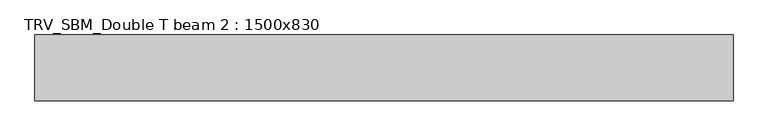
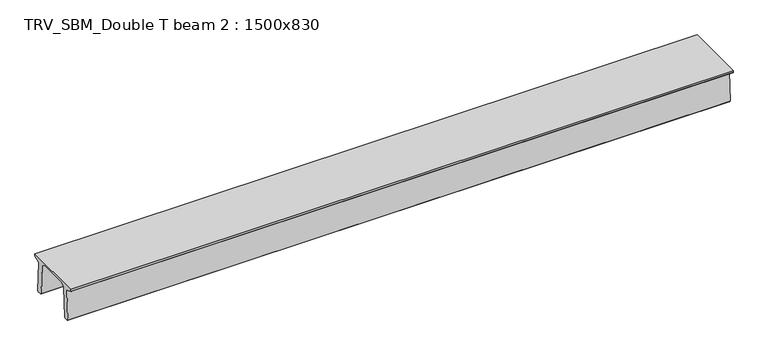
"""IFC4 building model written with IfcOpenShell, lengths in millimetres: beam geometry, TRV_SBM_Double T beam 2 : 1500x830."""

import ifcopenshell
import ifcopenshell.guid

model = None  # the IFC model being written
_history = None  # IfcOwnerHistory: only IFC2X3 demands one
_inside = {}  # id of a spatial element -> (the spatial element, [elements in it])
_under = {}  # id of a project, library or spatial element -> (it, [spatial elements below it])
_declared = {}  # id of a project -> (the project, [libraries it declares])
_typed = {}  # id of a type object -> (the type object, [elements of that type])
_made_of = {}  # id of a material, layer set ... -> (it, [elements and type objects made of it])


def new_model(schema):
    """Start an empty IFC model of exactly this schema.

    Asked for "IFC4X3", IfcOpenShell would pick the latest addendum, in which some entities
    have other attributes; the version numbers below select the first issue.
    IFC2X3 requires an IfcOwnerHistory on every rooted entity: one is made here for all.
    """
    global model, _history
    if schema == "IFC4X3":
        model = ifcopenshell.file(schema_version=(4, 3, 0, 0))
    else:
        model = ifcopenshell.file(schema=schema)
    _inside.clear()
    _under.clear()
    _declared.clear()
    _typed.clear()
    _made_of.clear()
    _history = None
    if model.schema == "IFC2X3":
        org = make("IfcOrganization", Name="unknown")
        user = make(
            "IfcPersonAndOrganization",
            ThePerson=make("IfcPerson", FamilyName="unknown"),
            TheOrganization=org,
        )
        app = make(
            "IfcApplication",
            ApplicationDeveloper=org,
            Version="unknown",
            ApplicationFullName="unknown",
            ApplicationIdentifier="unknown",
        )
        _history = make(
            "IfcOwnerHistory",
            OwningUser=user,
            OwningApplication=app,
            ChangeAction="ADDED",
            CreationDate=0,
        )
    return model


def make(cls, **values):
    """One entity of the class cls with the attributes given. An attribute that is None is left unset."""
    return model.create_entity(
        cls, **{name: value for name, value in values.items() if value is not None}
    )


def rooted(cls, **values):
    """An entity with a GlobalId (a new one), such as an element, a storey or a relation."""
    return make(cls, GlobalId=ifcopenshell.guid.new(), OwnerHistory=_history, **values)


def si_unit(unit_type, name, prefix=None):
    """IfcSIUnit, for example si_unit("LENGTHUNIT", "METRE", prefix="MILLI")."""
    return make("IfcSIUnit", UnitType=unit_type, Prefix=prefix, Name=name)


def assignment(units):
    """IfcUnitAssignment: the units of a project."""
    return None if units is None else make("IfcUnitAssignment", Units=units)


def point(xyz):
    """IfcCartesianPoint."""
    return None if xyz is None else make("IfcCartesianPoint", Coordinates=xyz)


def direction(xyz):
    """IfcDirection."""
    return None if xyz is None else make("IfcDirection", DirectionRatios=xyz)


def frame(location, z_axis=None, x_axis=None):
    """IfcAxis2Placement3D, a coordinate frame: its origin and axes. An axis left out is left unset."""
    return make(
        "IfcAxis2Placement3D",
        Location=point(location),
        Axis=direction(z_axis),
        RefDirection=direction(x_axis),
    )


def origin():
    """The frame at (0, 0, 0) with its axes left unset."""
    return frame((0.0, 0.0, 0.0))


def place(relative_to, where):
    """IfcLocalPlacement: puts the frame where relative to a parent placement (None: the world)."""
    return make(
        "IfcLocalPlacement", PlacementRelTo=relative_to, RelativePlacement=where
    )


def context(
    kind, dimensions, precision=None, world=None, true_north=None, identifier=None
):
    """IfcGeometricRepresentationContext, for example the 3D "Model" context."""
    return make(
        "IfcGeometricRepresentationContext",
        ContextIdentifier=identifier,
        ContextType=kind,
        CoordinateSpaceDimension=dimensions,
        Precision=precision,
        WorldCoordinateSystem=world,
        TrueNorth=true_north,
    )


def project(units=None, contexts=None):
    """IfcProject with its units and contexts."""
    return rooted(
        "IfcProject",
        Name="project",
        RepresentationContexts=contexts,
        UnitsInContext=assignment(units),
    )


def spatial(cls, under=None, at=None, **own):
    """A site, building, storey or space (cls), placed at a placement, below another one or the project."""
    s = rooted(cls, ObjectPlacement=at, **own)
    if under is not None:
        _under.setdefault(under.id(), (under, []))[1].append(s)
    return s


def polyline(points):
    """IfcPolyline through the points."""
    return make("IfcPolyline", Points=[point(p) for p in points])


def outline(outer, holes=None, kind="AREA"):
    """IfcArbitraryClosedProfileDef: a profile drawn as a closed curve; with holes, ...WithVoids."""
    if holes is None:
        return make("IfcArbitraryClosedProfileDef", ProfileType=kind, OuterCurve=outer)
    return make(
        "IfcArbitraryProfileDefWithVoids",
        ProfileType=kind,
        OuterCurve=outer,
        InnerCurves=holes,
    )


def extrude(swept, where, along, depth):
    """IfcExtrudedAreaSolid: the profile swept, set in the frame where, extruded along a direction by depth."""
    return make(
        "IfcExtrudedAreaSolid",
        SweptArea=swept,
        Position=where,
        ExtrudedDirection=direction(along),
        Depth=depth,
    )


def shape(context_of_items, identifier, shape_type, items):
    """IfcShapeRepresentation: the items that make up one representation, for example the "Body"."""
    return make(
        "IfcShapeRepresentation",
        ContextOfItems=context_of_items,
        RepresentationIdentifier=identifier,
        RepresentationType=shape_type,
        Items=items,
    )


def source(mapping_origin, context_of_items, identifier, shape_type, items):
    """IfcRepresentationMap: a shape defined once, which mapped items show again and again."""
    return make(
        "IfcRepresentationMap",
        MappingOrigin=mapping_origin,
        MappedRepresentation=shape(context_of_items, identifier, shape_type, items),
    )


def transform(
    local_origin,
    x_axis=None,
    y_axis=None,
    z_axis=None,
    scale=None,
    scale2=None,
    scale3=None,
    uniform=True,
):
    """IfcCartesianTransformationOperator3D, or its non-uniform kind. x_axis, y_axis, z_axis: its Axis1, 2, 3."""
    if uniform:
        return make(
            "IfcCartesianTransformationOperator3D",
            Axis1=direction(x_axis),
            Axis2=direction(y_axis),
            LocalOrigin=point(local_origin),
            Scale=scale,
            Axis3=direction(z_axis),
        )
    return make(
        "IfcCartesianTransformationOperator3DnonUniform",
        Axis1=direction(x_axis),
        Axis2=direction(y_axis),
        LocalOrigin=point(local_origin),
        Scale=scale,
        Axis3=direction(z_axis),
        Scale2=scale2,
        Scale3=scale3,
    )


def mapped(mapping_source, mapping_target):
    """IfcMappedItem: shows the shape of a source again, moved by a transform."""
    return make(
        "IfcMappedItem", MappingSource=mapping_source, MappingTarget=mapping_target
    )


def made_of(thing, what):
    """Note that an element or type object is made of a material, layer set ...; save() writes the relation."""
    if what is not None:
        _made_of.setdefault(what.id(), (what, []))[1].append(thing)
    return thing


def element(
    cls,
    number,
    at=None,
    inside=None,
    cuts=None,
    type_object=None,
    material=None,
    context=None,
    identifier="Body",
    shape_type=None,
    held_by="IfcProductDefinitionShape",
    body=None,
    shapes=None,
    **own,
):
    """One element of the class cls, such as IfcWall. Its Tag is "e" and its number.

    at: its placement. inside: the storey or other place that contains it. cuts: it is an
    opening in that element (IfcRelVoidsElement). A single representation is given by context,
    identifier, shape_type and body (its items); several are given by shapes. held_by: the class
    of the entity that holds the representations. save() writes the other relations.
    """
    e = rooted(cls, Tag="e%d" % number, ObjectPlacement=at, **own)
    if body is not None:
        shapes = [shape(context, identifier, shape_type, body)]
    if shapes is not None:
        e.Representation = make(held_by, Representations=shapes)
    if inside is not None:
        _inside.setdefault(inside.id(), (inside, []))[1].append(e)
    if cuts is not None:
        rooted(
            "IfcRelVoidsElement", RelatingBuildingElement=cuts, RelatedOpeningElement=e
        )
    if type_object is not None:
        _typed.setdefault(type_object.id(), (type_object, []))[1].append(e)
    return made_of(e, material)


def aggregate(whole, parts):
    """IfcRelAggregates: a whole, such as a stair, and the parts it consists of."""
    return rooted("IfcRelAggregates", RelatingObject=whole, RelatedObjects=parts)


def save(model, path):
    """Write the relations noted so far, then the file.

    IfcRelAggregates (storeys below a building ...), IfcRelContainedInSpatialStructure (elements
    in a storey), IfcRelDefinesByType, IfcRelAssociatesMaterial and IfcRelDeclares: one each for
    every whole, place, type object, material and project.
    """
    for whole, parts in _under.values():
        aggregate(whole, parts)
    for where, things in _inside.values():
        rooted(
            "IfcRelContainedInSpatialStructure",
            RelatedElements=things,
            RelatingStructure=where,
        )
    for kind, things in _typed.values():
        rooted("IfcRelDefinesByType", RelatedObjects=things, RelatingType=kind)
    for what, things in _made_of.values():
        rooted("IfcRelAssociatesMaterial", RelatedObjects=things, RelatingMaterial=what)
    for by, libraries in _declared.values():
        rooted("IfcRelDeclares", RelatingContext=by, RelatedDefinitions=libraries)
    model.write(path)


def trv_sbm_double_t_beam_2_1500x830_a72faac2(model_context):
    return source(origin(), model_context, "Body", "SweptSolid", [
        extrude(outline(polyline([(337.4555014, 470.0), (-343.4555014, 470.0), (-456.5828437, 409.8491251), (-494.786332, -340.5206011), (-514.2657308, -360.0), (-604.2657308, -360.0), (-624.8277662, -339.4379646), (-586.9373878, 401.9654693), (-752.8511046, 468.9989621), (-753.0, 475.0), (-753.0, 520.0), (747.0, 520.0), (747.0, 475.0), (746.8511046, 468.9989621), (580.9373878, 401.9654693), (618.8277662, -339.4379646), (598.2657308, -360.0), (508.2657308, -360.0), (488.786332, -340.5206011), (450.5828437, 409.8491251), (337.4555014, 470.0)])), frame((-7972.5, 0.0, 0.0), z_axis=(1.0, 0.0, 0.0), x_axis=(0.0, 1.0, 0.0)), (0.0, 0.0, 1.0), 15945.0),
    ])


if __name__ == "__main__":
    model = new_model("IFC4")
    model_context = context("Model", 3, world=origin())
    ifc_project = project(units=[si_unit("LENGTHUNIT", "METRE", prefix="MILLI")], contexts=[model_context])
    site = spatial("IfcSite", under=ifc_project)
    building = spatial("IfcBuilding", under=site)
    placement = place(None, origin())
    trv_sbm_double_t_beam_2_1500x830_shape = trv_sbm_double_t_beam_2_1500x830_a72faac2(model_context)
    element("IfcBeam", 1, ObjectType="TRV_SBM_Double T beam 2 : 1500x830", at=placement, inside=building, context=model_context, shape_type="MappedRepresentation", body=[
        mapped(trv_sbm_double_t_beam_2_1500x830_shape, transform((0.0, 0.0, 0.0), x_axis=(1.0, 0.0, 0.0), y_axis=(0.0, 1.0, 0.0), z_axis=(0.0, 0.0, 1.0))),
    ])
    save(model, "model.ifc")
